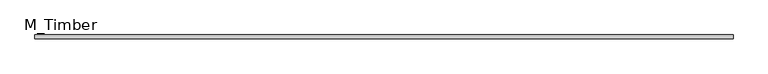
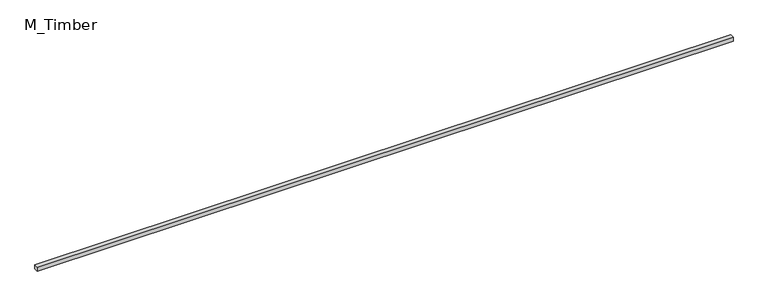
"""IFC4 building model written with IfcOpenShell, lengths in millimetres: beam geometry, M_Timber."""

from ifc_helpers import new_model, si_unit, frame, origin, place, context, project, spatial, polyline, outline, extrude, source, transform, mapped, element, save


def m_timber_ef7b127a(model_context):
    return source(origin(), model_context, "Body", "SweptSolid", [
        extrude(outline(polyline([(5143.0569114, 30.0), (5143.0569114, -30.0), (-5143.0569114, -30.0), (-5143.0569114, 30.0), (5143.0569114, 30.0)])), frame((0.0, 0.0, -30.0), z_axis=(0.0, 0.0, 1.0), x_axis=(1.0, 0.0, 0.0)), (0.0, 0.0, 1.0), 60.0),
    ])


if __name__ == "__main__":
    model = new_model("IFC4")
    model_context = context("Model", 3, world=origin())
    ifc_project = project(units=[si_unit("LENGTHUNIT", "METRE", prefix="MILLI")], contexts=[model_context])
    site = spatial("IfcSite", under=ifc_project)
    building = spatial("IfcBuilding", under=site)
    placement = place(None, origin())
    m_timber_shape = m_timber_ef7b127a(model_context)
    element("IfcBeam", 1, ObjectType="M_Timber", at=placement, inside=building, context=model_context, shape_type="MappedRepresentation", body=[
        mapped(m_timber_shape, transform((0.0, 0.0, 0.0), x_axis=(1.0, 0.0, 0.0), y_axis=(0.0, 1.0, 0.0), z_axis=(0.0, 0.0, 1.0))),
    ])
    save(model, "model.ifc")
